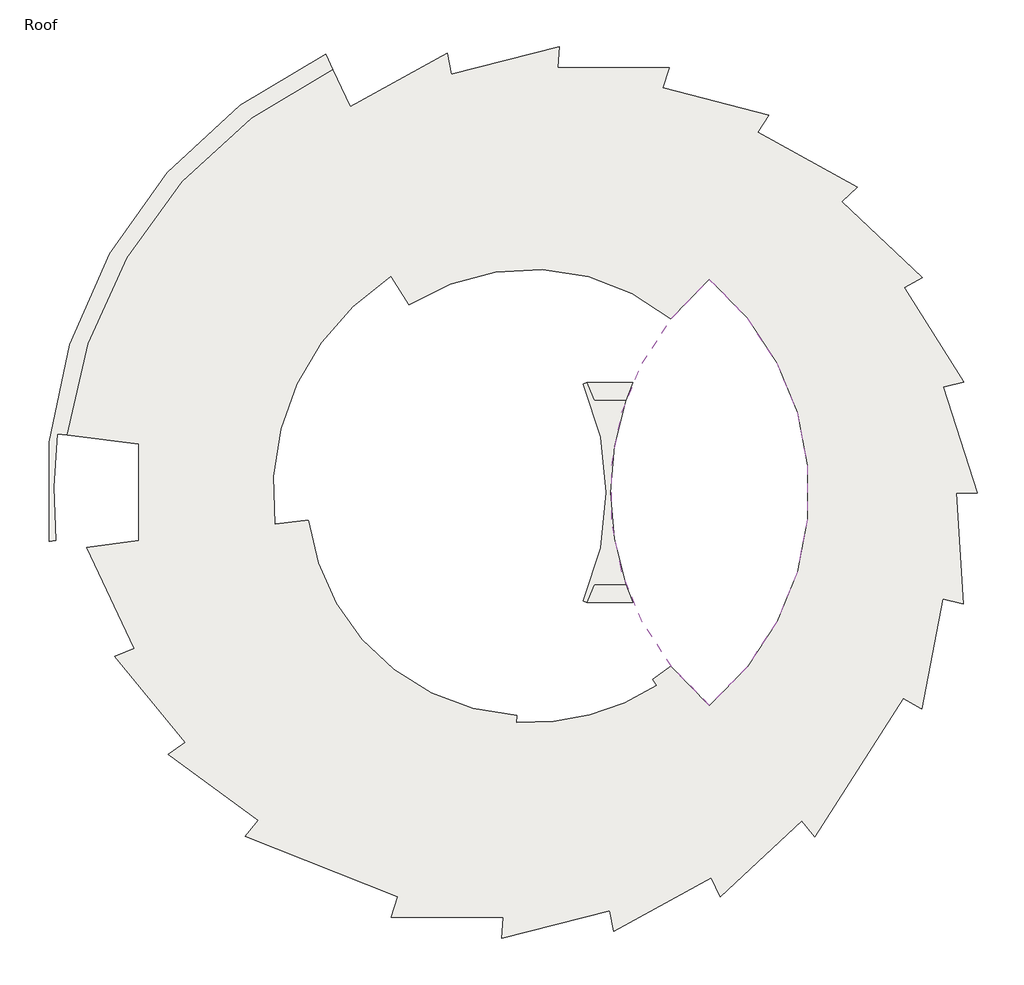
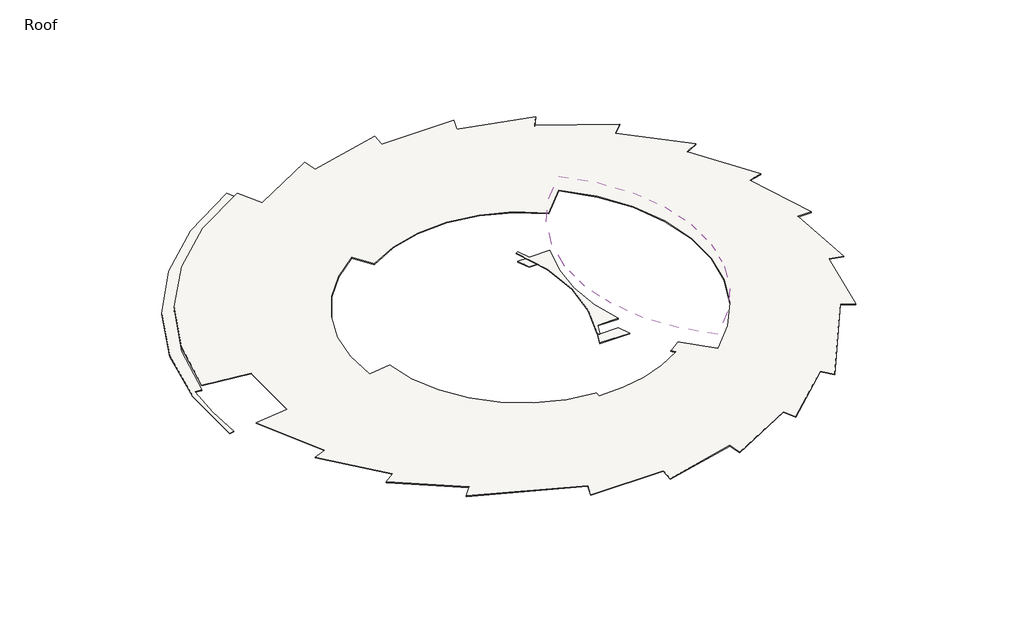
# One storey: 6 roofs.
"""IFC4 building model written with IfcOpenShell, lengths in millimetres."""

from ifc_helpers import new_model, si_unit, point, frame, frame_2d, origin, place, context, project, spatial, polyline, circle_curve, trimmed, segment, composite_curve, outline, extrude, element, save

model = new_model("IFC4")

# Units and contexts
model_context = context("Model", 3, world=origin())
ifc_project = project(units=[si_unit("LENGTHUNIT", "METRE", prefix="MILLI")], contexts=[model_context])

# Site, building, storey
site = spatial("IfcSite", under=ifc_project)
building = spatial("IfcBuilding", under=site)
storey = spatial("IfcBuildingStorey", under=building, Name="Roof", Elevation=3702.05)

# Roofs
placement = place(None, origin())
element("IfcRoof", 1, ObjectType="4\" Concrete Deck", at=placement, inside=storey, context=model_context, shape_type="SweptSolid", body=[
    extrude(outline(composite_curve([segment(polyline([(-34574.7876747, -20861.6779878), (-40666.7578184, -13475.156508), (-38986.7146287, -12809.9803532), (-43073.0000546, -4092.1673912), (-38603.2451844, -3527.5060366), (-38603.2451844, 4779.8456471), (-44741.0297963, 5555.2281622)]), True, "CONTINUOUS"), segment(trimmed(circle_curve(frame_2d((-4912.8763403, 626.1698053)), 40132.0), [point((-44741.0297963, 5555.2281622))], [point((-21908.2656823, 36981.831883))], False, "CARTESIAN"), True, "CONTINUOUS"), segment(polyline([(-21908.2656823, 36981.831883), (-20417.3902767, 33813.5603734), (-12064.8200832, 38389.0768072), (-11726.2347283, 36614.1502191), (-2448.8755377, 38981.3017251), (-2562.3337573, 37177.9349658), (7012.2467755, 37163.5326441), (6453.8739786, 35445.0378796), (15568.996963, 33090.0513423), (14622.1771097, 31598.1019846), (23185.9432326, 26873.3427273), (21859.0494225, 25627.306501), (28791.7102788, 19097.4525268), (27208.2834099, 18226.9562392), (32326.4399276, 10135.1533705), (30576.2757019, 9685.7875739), (33521.2863786, 575.3698053), (31714.3540512, 575.3698053), (32301.173035, -8981.2218092), (30551.0088094, -8531.8560125), (28732.6812714, -17986.5731626), (27132.4698811, -17106.8495062), (19546.8389299, -29020.2426833), (18395.0569165, -27627.9773962), (11405.6290198, -34171.7299497), (10636.2746535, -32536.7686978), (2239.0674027, -37136.7371967), (1900.4820478, -35361.8106085), (-7376.8771429, -37728.9621146), (-7263.4189233, -35925.5953553), (-16891.3876434, -35911.1127257), (-16327.0960256, -34174.4017033), (-29450.8757559, -28955.480406), (-28299.0937426, -27563.2151189), (-36036.6266352, -21923.7661618), (-34574.7876747, -20861.6779878)]), True, "CONTINUOUS")], self_intersect=False), holes=[composite_curve([segment(polyline([(-15356.1963488, 16740.4253872), (-16918.1228956, 19178.6806635)]), True, "CONTINUOUS"), segment(trimmed(circle_curve(frame_2d((-4912.8763403, 626.1698053)), 22098.0), [point((-16918.1228956, 19178.6806635))], [point((-26840.5185829, -2112.4630067))], True, "CARTESIAN"), True, "CONTINUOUS"), segment(polyline([(-26840.5185829, -2112.4630067), (-23968.8866736, -1740.39647)]), True, "CONTINUOUS"), segment(trimmed(circle_curve(frame_2d((-4912.8763403, 626.1698053)), 19202.4), [point((-23968.8866736, -1740.39647))], [point((-6067.2448798, -18541.5008679))], True, "CARTESIAN"), True, "CONTINUOUS"), segment(polyline([(-6067.2448798, -18541.5008679), (-6108.7209571, -19149.7069048)]), True, "CONTINUOUS"), segment(trimmed(circle_curve(frame_2d((-4912.8763403, 626.1698053)), 19812.0), [point((-6108.7209571, -19149.7069048))], [point((5909.5037315, -15968.7521163))], True, "CARTESIAN"), True, "CONTINUOUS"), segment(polyline([(5909.5037315, -15968.7521163), (5573.8887189, -15459.8466175)]), True, "CONTINUOUS"), segment(trimmed(circle_curve(frame_2d((-4912.8763403, 626.1698053)), 19202.4), [point((5573.8887189, -15459.8466175))], [point((7170.1048478, -14298.0967217))], True, "CARTESIAN"), True, "CONTINUOUS"), segment(trimmed(circle_curve(frame_2d((25871.9236597, 626.1698053)), 23926.8), [point((7170.1048478, -14298.0967217))], [point((10479.5236597, -17692.284837))], True, "CARTESIAN"), True, "CONTINUOUS"), segment(trimmed(circle_curve(frame_2d((-4912.8763403, 626.1698053)), 23926.8), [point((10479.5236597, -17692.284837))], [point((10479.5236597, 18944.6244475))], True, "CARTESIAN"), True, "CONTINUOUS"), segment(trimmed(circle_curve(frame_2d((25871.9236597, 626.1698053)), 23926.8), [point((10479.5236597, 18944.6244475))], [point((7170.1048478, 15550.4363322))], True, "CARTESIAN"), True, "CONTINUOUS"), segment(trimmed(circle_curve(frame_2d((-4912.8763403, 626.1698053)), 19202.4), [point((7170.1048478, 15550.4363322))], [point((-15356.1963488, 16740.4253872))], True, "CARTESIAN"), True, "CONTINUOUS")], self_intersect=False)]), frame((0.0, 0.0, 3702.05), z_axis=(0.0, 0.0, 1.0), x_axis=(1.0, 0.0, 0.0)), (0.0, 0.0, 1.0), 101.6),
])
element("IfcRoof", 2, ObjectType="4\" Concrete Deck", at=placement, inside=storey, context=model_context, shape_type="SweptSolid", body=[
    extrude(outline(composite_curve([segment(trimmed(circle_curve(frame_2d((25871.9236597, 626.1698053)), 23926.8), [point((10479.5236597, -17692.284837))], [point((10479.5236597, 18944.6244475))], False, "CARTESIAN"), True, "CONTINUOUS"), segment(trimmed(circle_curve(frame_2d((-4912.8763403, 626.1698053)), 23926.8), [point((10479.5236597, 18944.6244475))], [point((10479.5236597, -17692.284837))], False, "CARTESIAN"), True, "CONTINUOUS")], self_intersect=False)), frame((0.0, 0.0, 5759.45), z_axis=(0.0, 0.0, 1.0), x_axis=(1.0, 0.0, 0.0)), (0.0, 0.0, 1.0), 101.6),
])
element("IfcRoof", 3, ObjectType="4\" Concrete Deck", at=placement, inside=storey, context=model_context, shape_type="SweptSolid", body=[
    extrude(outline(composite_curve([segment(polyline([(3286.7241282, -7273.2301947), (559.1400219, -7273.2301947)]), True, "CONTINUOUS"), segment(trimmed(circle_curve(frame_2d((-21473.6763403, 626.1698053)), 23406.1), [point((559.1400219, -7273.2301947))], [point((-65.9928945, -8837.2654428))], False, "CARTESIAN"), True, "CONTINUOUS"), segment(polyline([(-65.9928945, -8837.2654428), (-356.3846938, -8708.8954584)]), True, "CONTINUOUS"), segment(trimmed(circle_curve(frame_2d((-21473.6763403, 626.1698053)), 23088.6), [point((-356.3846938, -8708.8954584))], [point((-354.4172936, 9956.7832512))], True, "CARTESIAN"), True, "CONTINUOUS"), segment(polyline([(-354.4172936, 9956.7832512), (-63.9984398, 10085.0920169)]), True, "CONTINUOUS"), segment(trimmed(circle_curve(frame_2d((-21473.6763403, 626.1698053)), 23406.1), [point((-63.9984398, 10085.0920169))], [point((559.1400219, 8525.5698053))], False, "CARTESIAN"), True, "CONTINUOUS"), segment(polyline([(559.1400219, 8525.5698053), (3286.7241282, 8525.5698053)]), True, "CONTINUOUS"), segment(trimmed(circle_curve(frame_2d((25871.9236597, 626.1698053)), 23926.8), [point((3286.7241282, 8525.5698053))], [point((3286.7241282, -7273.2301947))], True, "CARTESIAN"), True, "CONTINUOUS")], self_intersect=False)), frame((0.0, 0.0, 4064.0), z_axis=(0.0, 0.0, 1.0), x_axis=(1.0, 0.0, 0.0)), (0.0, 0.0, 1.0), 101.6),
])
element("IfcRoof", 4, ObjectType="4\" Concrete Deck", at=placement, inside=storey, context=model_context, shape_type="SweptSolid", body=[
    extrude(outline(composite_curve([segment(polyline([(3286.7241282, 8525.5698053), (559.1400219, 8525.5698053)]), True, "CONTINUOUS"), segment(trimmed(circle_curve(frame_2d((-21473.6763403, 626.1698053)), 23406.1), [point((559.1400219, 8525.5698053))], [point((-59.5292461, 10074.9698053))], True, "CARTESIAN"), True, "CONTINUOUS"), segment(polyline([(-59.5292461, 10074.9698053), (3889.8414836, 10074.9698053)]), True, "CONTINUOUS"), segment(trimmed(circle_curve(frame_2d((25871.9236597, 626.1698053)), 23926.8), [point((3889.8414836, 10074.9698053))], [point((3286.7241282, 8525.5698053))], True, "CARTESIAN"), True, "CONTINUOUS")], self_intersect=False)), frame((0.0, 0.0, 2743.2), z_axis=(0.0, 0.0, 1.0), x_axis=(1.0, 0.0, 0.0)), (0.0, 0.0, 1.0), 101.6),
])
element("IfcRoof", 5, ObjectType="4\" Concrete Deck", at=placement, inside=storey, context=model_context, shape_type="SweptSolid", body=[
    extrude(outline(composite_curve([segment(polyline([(559.1400219, -7273.2301947), (3286.7241282, -7273.2301947)]), True, "CONTINUOUS"), segment(trimmed(circle_curve(frame_2d((25871.9236597, 626.1698053)), 23926.8), [point((3286.7241282, -7273.2301947))], [point((3896.1380868, -8837.2654428))], True, "CARTESIAN"), True, "CONTINUOUS"), segment(polyline([(3896.1380868, -8837.2654428), (-65.9928945, -8837.2654428)]), True, "CONTINUOUS"), segment(trimmed(circle_curve(frame_2d((-21473.6763403, 626.1698053)), 23406.1), [point((-65.9928945, -8837.2654428))], [point((559.1400219, -7273.2301947))], True, "CARTESIAN"), True, "CONTINUOUS")], self_intersect=False)), frame((0.0, 0.0, 2743.2), z_axis=(0.0, 0.0, 1.0), x_axis=(1.0, 0.0, 0.0)), (0.0, 0.0, 1.0), 101.6),
])
element("IfcRoof", 6, ObjectType="4\" Concrete Deck", at=placement, inside=storey, context=model_context, shape_type="SweptSolid", body=[
    extrude(outline(composite_curve([segment(trimmed(circle_curve(frame_2d((-4912.8763403, 626.1698053)), 40132.0), [point((-21908.2656823, 36981.831883))], [point((-44741.0297963, 5555.2281622))], True, "CARTESIAN"), True, "CONTINUOUS"), segment(polyline([(-44741.0297963, 5555.2281622), (-45606.3296611, 5662.3160676)]), True, "CONTINUOUS"), segment(trimmed(circle_curve(frame_2d((-4511.7699868, 626.1698053)), 41402.0), [point((-45606.3296611, 5662.3160676))], [point((-45707.3177255, -3503.2914806))], True, "CARTESIAN"), True, "CONTINUOUS"), segment(polyline([(-45707.3177255, -3503.2914806), (-46305.036089, -3578.80087)]), True, "CONTINUOUS"), segment(trimmed(circle_curve(frame_2d((-4912.8763403, 626.1698053)), 41605.2), [point((-46305.036089, -3578.80087))], [point((-22532.1470632, 38316.4068201))], False, "CARTESIAN"), True, "CONTINUOUS"), segment(polyline([(-22532.1470632, 38316.4068201), (-21908.2656823, 36981.831883)]), True, "CONTINUOUS")], self_intersect=False)), frame((0.0, 0.0, 3048.0), z_axis=(0.0, 0.0, 1.0), x_axis=(1.0, 0.0, 0.0)), (0.0, 0.0, 1.0), 101.6),
])

save(model, "model.ifc")
